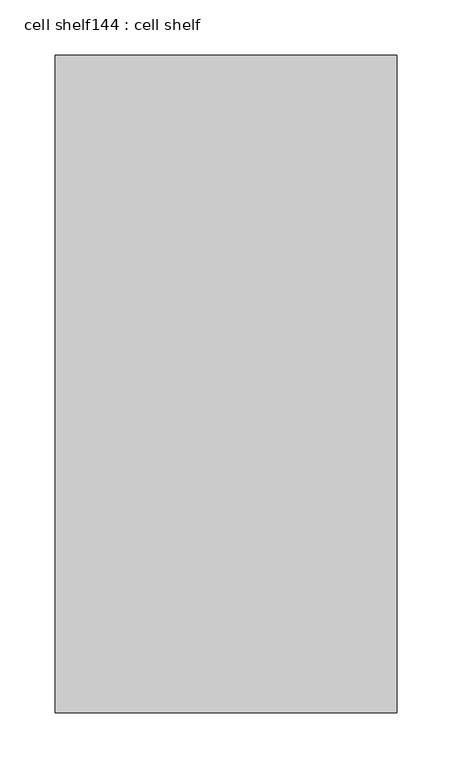
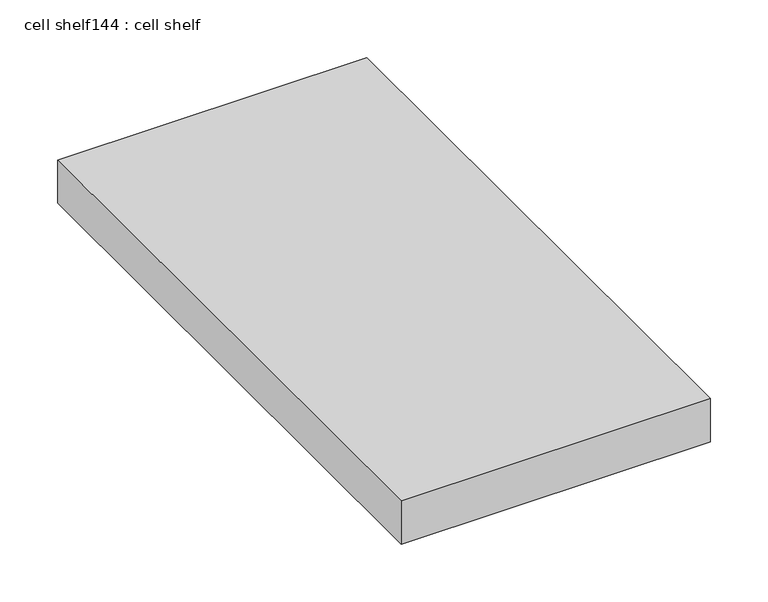
"""IFC4 building model written with IfcOpenShell, lengths in millimetres: proxy geometry, cell shelf144 : cell shelf."""

from ifc_helpers import new_model, si_unit, frame, origin, place, context, project, spatial, polyline, outline, extrude, source, transform, mapped, element, save


def cell_shelf144_cell_shelf_2121f5b3(model_context):
    return source(origin(), model_context, "Body", "SweptSolid", [
        extrude(outline(polyline([(-124383.1782024, -57542.2906598), (-124383.1782024, -56947.2042641), (-124073.8304059, -56947.2042641), (-124073.8304059, -57542.2906598), (-124383.1782024, -57542.2906598)])), frame((0.0, 0.0, 1320.0941517), z_axis=(0.0, 0.0, 1.0), x_axis=(1.0, 0.0, 0.0)), (0.0, 0.0, 1.0), 45.8133004),
    ])


if __name__ == "__main__":
    model = new_model("IFC4")
    model_context = context("Model", 3, world=origin())
    ifc_project = project(units=[si_unit("LENGTHUNIT", "METRE", prefix="MILLI")], contexts=[model_context])
    site = spatial("IfcSite", under=ifc_project)
    building = spatial("IfcBuilding", under=site)
    placement = place(None, origin())
    cell_shelf144_cell_shelf_shape = cell_shelf144_cell_shelf_2121f5b3(model_context)
    element("IfcBuildingElementProxy", 1, Name="cell shelf144 : cell shelf", ObjectType="cell shelf144 : cell shelf", at=placement, inside=building, context=model_context, shape_type="MappedRepresentation", body=[
        mapped(cell_shelf144_cell_shelf_shape, transform((0.0, 0.0, 0.0), x_axis=(1.0, 0.0, 0.0), y_axis=(0.0, 1.0, 0.0), z_axis=(0.0, 0.0, 1.0))),
    ])
    save(model, "model.ifc")
